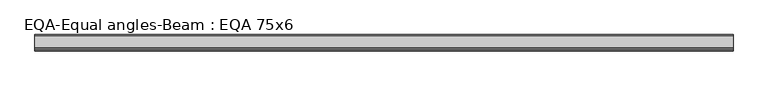
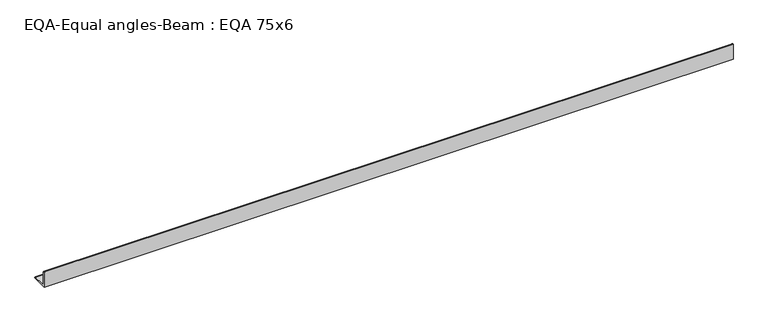
"""IFC4 building model written with IfcOpenShell, lengths in millimetres: beam geometry, EQA-Equal angles-Beam : EQA 75x6."""

from ifc_helpers import new_model, si_unit, point, frame, frame_2d, origin, place, context, project, spatial, polyline, circle_curve, trimmed, segment, composite_curve, outline, extrude, source, transform, mapped, element, save


def eqa_equal_angles_beam_eqa_75x6_31923541(model_context):
    return source(origin(), model_context, "Body", "SweptSolid", [
        extrude(outline(composite_curve([segment(polyline([(-20.5, -20.5), (-20.5, 54.5), (-19.0, 54.5)]), True, "CONTINUOUS"), segment(trimmed(circle_curve(frame_2d((-19.0, 50.0)), 4.5), [point((-19.0, 54.5))], [point((-14.5, 50.0))], False, "CARTESIAN"), True, "CONTINUOUS"), segment(polyline([(-14.5, 50.0), (-14.5, -5.5)]), True, "CONTINUOUS"), segment(trimmed(circle_curve(frame_2d((-5.5, -5.5)), 9.0), [point((-14.5, -5.5))], [point((-5.5, -14.5))], True, "CARTESIAN"), True, "CONTINUOUS"), segment(polyline([(-5.5, -14.5), (50.0, -14.5)]), True, "CONTINUOUS"), segment(trimmed(circle_curve(frame_2d((50.0, -19.0)), 4.5), [point((50.0, -14.5))], [point((54.5, -19.0))], False, "CARTESIAN"), True, "CONTINUOUS"), segment(polyline([(54.5, -19.0), (54.5, -20.5), (-20.5, -20.5)]), True, "CONTINUOUS")], self_intersect=False)), frame((-1539.1426647, 0.0, 0.0), z_axis=(1.0, 0.0, 0.0), x_axis=(0.0, 1.0, 0.0)), (0.0, 0.0, 1.0), 3204.9495364),
    ])


if __name__ == "__main__":
    model = new_model("IFC4")
    model_context = context("Model", 3, world=origin())
    ifc_project = project(units=[si_unit("LENGTHUNIT", "METRE", prefix="MILLI")], contexts=[model_context])
    site = spatial("IfcSite", under=ifc_project)
    building = spatial("IfcBuilding", under=site)
    placement = place(None, origin())
    eqa_equal_angles_beam_eqa_75x6_shape = eqa_equal_angles_beam_eqa_75x6_31923541(model_context)
    element("IfcBeam", 1, ObjectType="EQA-Equal angles-Beam : EQA 75x6", at=placement, inside=building, context=model_context, shape_type="MappedRepresentation", body=[
        mapped(eqa_equal_angles_beam_eqa_75x6_shape, transform((0.0, 0.0, 0.0), x_axis=(1.0, 0.0, 0.0), y_axis=(0.0, 1.0, 0.0), z_axis=(0.0, 0.0, 1.0))),
    ])
    save(model, "model.ifc")
